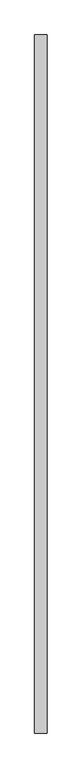
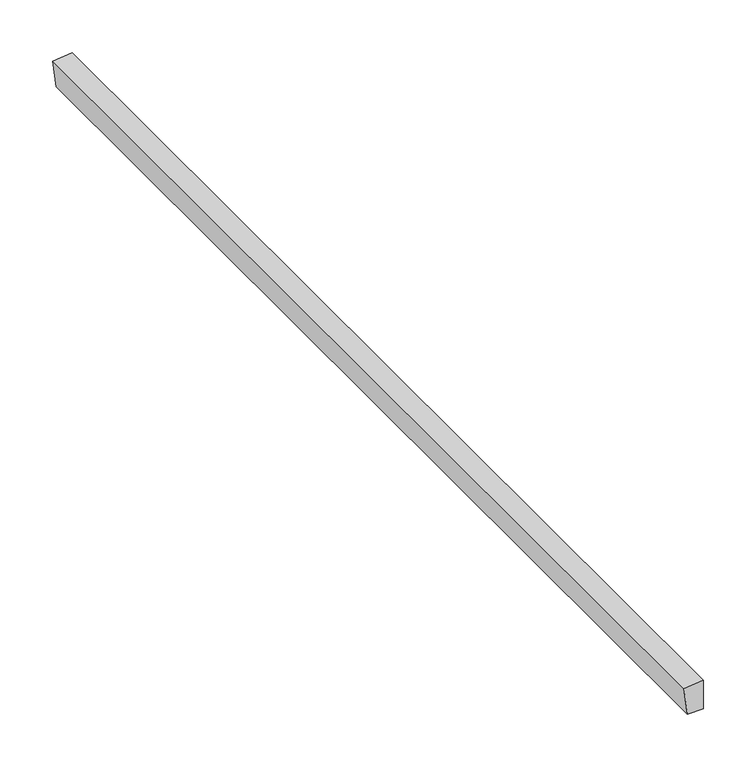
"""IFC4 building model written with IfcOpenShell, lengths in millimetres: proxy geometry."""

from ifc_helpers import new_model, si_unit, frame, origin, place, context, project, spatial, polyline, outline, extrude, source, transform, mapped, element, save


def generic_models_59627901(model_context):
    return source(origin(), model_context, "Body", "SweptSolid", [
        extrude(outline(polyline([(-1137.6526698, 1206.7511704), (-1104.4554275, 1206.7511704), (-1106.6867702, 1185.5213624), (-1137.6526698, 1189.228147), (-1137.6526698, 1206.7511704)])), frame((0.0, 38674.2047634, 0.0), z_axis=(0.0, 1.0, 0.0), x_axis=(0.0, 0.0, 1.0)), (0.0, 0.0, 1.0), 1198.1104908),
    ])


if __name__ == "__main__":
    model = new_model("IFC4")
    model_context = context("Model", 3, world=origin())
    ifc_project = project(units=[si_unit("LENGTHUNIT", "METRE", prefix="MILLI")], contexts=[model_context])
    site = spatial("IfcSite", under=ifc_project)
    building = spatial("IfcBuilding", under=site)
    placement = place(None, origin())
    generic_models_shape = generic_models_59627901(model_context)
    element("IfcBuildingElementProxy", 1, Name="Generic Models", at=placement, inside=building, context=model_context, shape_type="MappedRepresentation", body=[
        mapped(generic_models_shape, transform((0.0, 0.0, 0.0), x_axis=(1.0, 0.0, 0.0), y_axis=(0.0, 1.0, 0.0), z_axis=(0.0, 0.0, 1.0))),
    ])
    save(model, "model.ifc")
